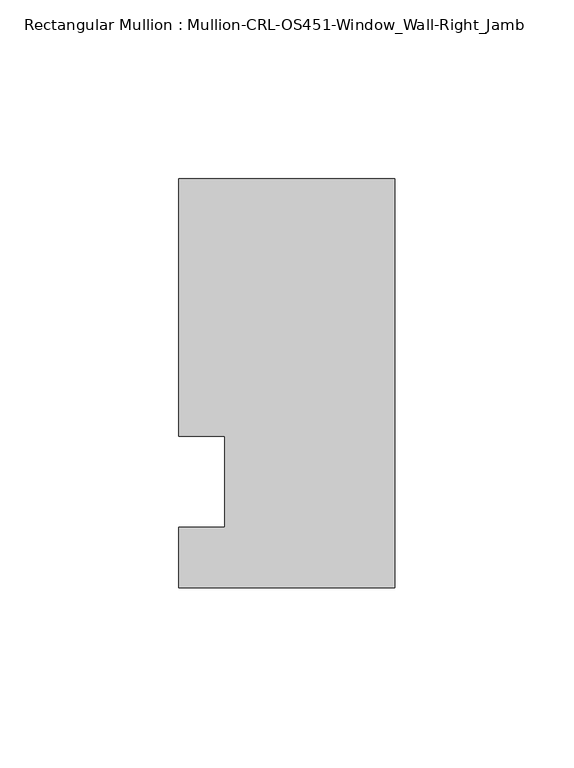
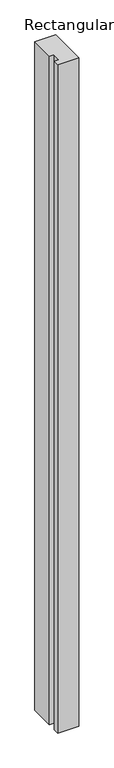
"""IFC4 building model written with IfcOpenShell, lengths in millimetres: member geometry, Rectangular Mullion : Mullion-CRL-OS451-Window_Wall-Right_Jamb."""

from ifc_helpers import new_model, si_unit, frame, origin, place, context, project, spatial, polyline, outline, extrude, source, transform, mapped, element, save


def rectangular_mullion_mullion_crl_os451_window_wall_right_jamb_9f2a528d(model_context):
    return source(origin(), model_context, "Body", "SweptSolid", [
        extrude(outline(polyline([(0.0, -29.6531114), (-60.325, -29.6531114), (-60.325, -12.7), (-47.5139203, -12.7), (-47.5139203, 12.7), (-60.325, 12.7), (-60.325, 84.6587463), (0.0, 84.6587463), (0.0, -29.6531114)])), frame((0.0, 0.0, -2037.0775442), z_axis=(0.0, 0.0, 1.0), x_axis=(1.0, 0.0, 0.0)), (0.0, 0.0, 1.0), 2037.0775442),
    ])


if __name__ == "__main__":
    model = new_model("IFC4")
    model_context = context("Model", 3, world=origin())
    ifc_project = project(units=[si_unit("LENGTHUNIT", "METRE", prefix="MILLI")], contexts=[model_context])
    site = spatial("IfcSite", under=ifc_project)
    building = spatial("IfcBuilding", under=site)
    placement = place(None, origin())
    rectangular_mullion_mullion_crl_os451_window_wall_right_jamb_shape = rectangular_mullion_mullion_crl_os451_window_wall_right_jamb_9f2a528d(model_context)
    element("IfcMember", 1, ObjectType="Rectangular Mullion : Mullion-CRL-OS451-Window_Wall-Right_Jamb", at=placement, inside=building, context=model_context, shape_type="MappedRepresentation", body=[
        mapped(rectangular_mullion_mullion_crl_os451_window_wall_right_jamb_shape, transform((0.0, 0.0, 0.0), x_axis=(1.0, 0.0, 0.0), y_axis=(0.0, 1.0, 0.0), z_axis=(0.0, 0.0, 1.0))),
    ])
    save(model, "model.ifc")
